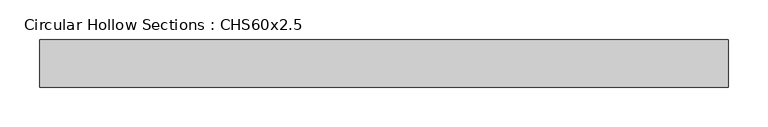
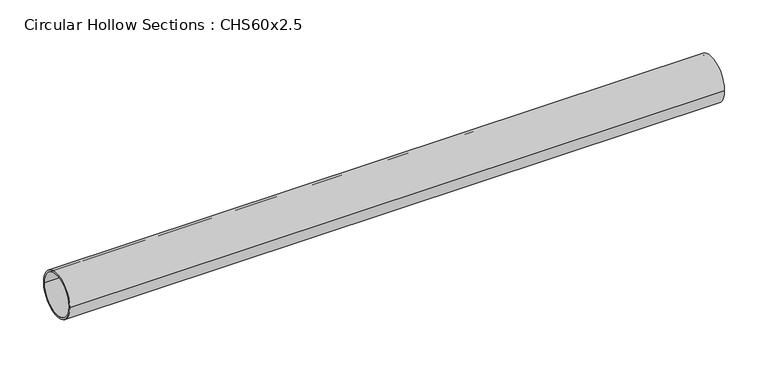
"""IFC4 building model written with IfcOpenShell, lengths in millimetres: member geometry, Circular Hollow Sections : CHS60x2.5."""

from ifc_helpers import new_model, si_unit, point, frame, origin, origin_2d, place, context, project, spatial, circle_curve, trimmed, segment, composite_curve, outline, extrude, source, transform, mapped, element, save


def circular_hollow_sections_chs60x2_5_8d079b66(model_context):
    return source(origin(), model_context, "Body", "SweptSolid", [
        extrude(outline(composite_curve([segment(trimmed(circle_curve(origin_2d(), 30.0), [point((-30.0, 0.0))], [point((30.0, 0.0))], False, "CARTESIAN"), True, "CONTINUOUS"), segment(trimmed(circle_curve(origin_2d(), 30.0), [point((30.0, 0.0))], [point((-30.0, 0.0))], False, "CARTESIAN"), True, "CONTINUOUS")], self_intersect=False), holes=[composite_curve([segment(trimmed(circle_curve(origin_2d(), 27.5), [point((27.5, 0.0))], [point((-27.5, 0.0))], True, "CARTESIAN"), True, "CONTINUOUS"), segment(trimmed(circle_curve(origin_2d(), 27.5), [point((-27.5, 0.0))], [point((27.5, 0.0))], True, "CARTESIAN"), True, "CONTINUOUS")], self_intersect=False)]), frame((-434.0, 0.0, 0.0), z_axis=(1.0, 0.0, 0.0), x_axis=(0.0, 1.0, 0.0)), (0.0, 0.0, 1.0), 868.0),
    ])


if __name__ == "__main__":
    model = new_model("IFC4")
    model_context = context("Model", 3, world=origin())
    ifc_project = project(units=[si_unit("LENGTHUNIT", "METRE", prefix="MILLI")], contexts=[model_context])
    site = spatial("IfcSite", under=ifc_project)
    building = spatial("IfcBuilding", under=site)
    placement = place(None, origin())
    circular_hollow_sections_chs60x2_5_shape = circular_hollow_sections_chs60x2_5_8d079b66(model_context)
    element("IfcMember", 1, ObjectType="Circular Hollow Sections : CHS60x2.5", at=placement, inside=building, context=model_context, shape_type="MappedRepresentation", body=[
        mapped(circular_hollow_sections_chs60x2_5_shape, transform((0.0, 0.0, 0.0), x_axis=(1.0, 0.0, 0.0), y_axis=(0.0, 1.0, 0.0), z_axis=(0.0, 0.0, 1.0))),
    ])
    save(model, "model.ifc")
